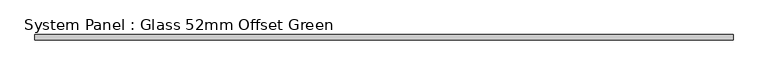
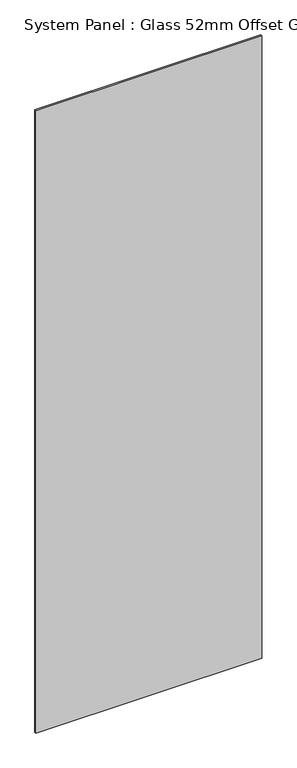
"""IFC4 building model written with IfcOpenShell, lengths in millimetres: plate geometry, System Panel : Glass 52mm Offset Green."""

from ifc_helpers import new_model, si_unit, origin, origin_with_axes, place, context, project, spatial, polyline, outline, extrude, source, transform, mapped, element, save


def system_panel_glass_52mm_offset_green_a5cbcecf(model_context):
    return source(origin(), model_context, "Body", "SweptSolid", [
        extrude(outline(polyline([(663.9166667, -57.0), (-663.9166667, -57.0), (-663.9166667, -47.0), (663.9166667, -47.0), (663.9166667, -57.0)])), origin_with_axes(), (0.0, 0.0, 1.0), 3870.5),
    ])


if __name__ == "__main__":
    model = new_model("IFC4")
    model_context = context("Model", 3, world=origin())
    ifc_project = project(units=[si_unit("LENGTHUNIT", "METRE", prefix="MILLI")], contexts=[model_context])
    site = spatial("IfcSite", under=ifc_project)
    building = spatial("IfcBuilding", under=site)
    placement = place(None, origin())
    system_panel_glass_52mm_offset_green_shape = system_panel_glass_52mm_offset_green_a5cbcecf(model_context)
    element("IfcPlate", 1, ObjectType="System Panel : Glass 52mm Offset Green", at=placement, inside=building, context=model_context, shape_type="MappedRepresentation", body=[
        mapped(system_panel_glass_52mm_offset_green_shape, transform((0.0, 0.0, 0.0), x_axis=(1.0, 0.0, 0.0), y_axis=(0.0, 1.0, 0.0), z_axis=(0.0, 0.0, 1.0))),
    ])
    save(model, "model.ifc")
